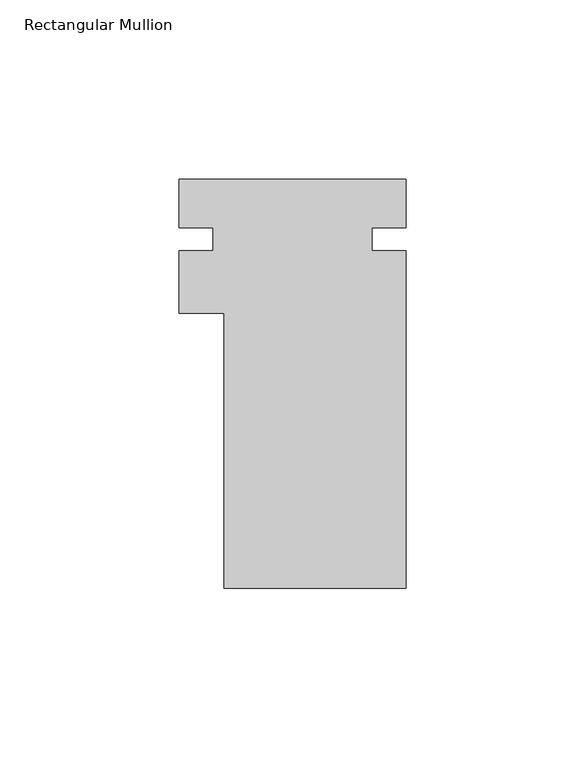
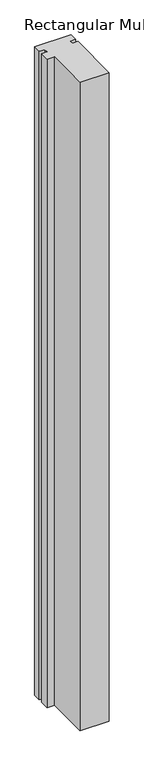
"""IFC4 building model written with IfcOpenShell, lengths in millimetres: member geometry, Rectangular Mullion."""

import ifcopenshell
import ifcopenshell.guid

model = None  # the IFC model being written
_history = None  # IfcOwnerHistory: only IFC2X3 demands one
_inside = {}  # id of a spatial element -> (the spatial element, [elements in it])
_under = {}  # id of a project, library or spatial element -> (it, [spatial elements below it])
_declared = {}  # id of a project -> (the project, [libraries it declares])
_typed = {}  # id of a type object -> (the type object, [elements of that type])
_made_of = {}  # id of a material, layer set ... -> (it, [elements and type objects made of it])


def new_model(schema):
    """Start an empty IFC model of exactly this schema.

    Asked for "IFC4X3", IfcOpenShell would pick the latest addendum, in which some entities
    have other attributes; the version numbers below select the first issue.
    IFC2X3 requires an IfcOwnerHistory on every rooted entity: one is made here for all.
    """
    global model, _history
    if schema == "IFC4X3":
        model = ifcopenshell.file(schema_version=(4, 3, 0, 0))
    else:
        model = ifcopenshell.file(schema=schema)
    _inside.clear()
    _under.clear()
    _declared.clear()
    _typed.clear()
    _made_of.clear()
    _history = None
    if model.schema == "IFC2X3":
        org = make("IfcOrganization", Name="unknown")
        user = make(
            "IfcPersonAndOrganization",
            ThePerson=make("IfcPerson", FamilyName="unknown"),
            TheOrganization=org,
        )
        app = make(
            "IfcApplication",
            ApplicationDeveloper=org,
            Version="unknown",
            ApplicationFullName="unknown",
            ApplicationIdentifier="unknown",
        )
        _history = make(
            "IfcOwnerHistory",
            OwningUser=user,
            OwningApplication=app,
            ChangeAction="ADDED",
            CreationDate=0,
        )
    return model


def make(cls, **values):
    """One entity of the class cls with the attributes given. An attribute that is None is left unset."""
    return model.create_entity(
        cls, **{name: value for name, value in values.items() if value is not None}
    )


def rooted(cls, **values):
    """An entity with a GlobalId (a new one), such as an element, a storey or a relation."""
    return make(cls, GlobalId=ifcopenshell.guid.new(), OwnerHistory=_history, **values)


def si_unit(unit_type, name, prefix=None):
    """IfcSIUnit, for example si_unit("LENGTHUNIT", "METRE", prefix="MILLI")."""
    return make("IfcSIUnit", UnitType=unit_type, Prefix=prefix, Name=name)


def assignment(units):
    """IfcUnitAssignment: the units of a project."""
    return None if units is None else make("IfcUnitAssignment", Units=units)


def point(xyz):
    """IfcCartesianPoint."""
    return None if xyz is None else make("IfcCartesianPoint", Coordinates=xyz)


def direction(xyz):
    """IfcDirection."""
    return None if xyz is None else make("IfcDirection", DirectionRatios=xyz)


def frame(location, z_axis=None, x_axis=None):
    """IfcAxis2Placement3D, a coordinate frame: its origin and axes. An axis left out is left unset."""
    return make(
        "IfcAxis2Placement3D",
        Location=point(location),
        Axis=direction(z_axis),
        RefDirection=direction(x_axis),
    )


def origin():
    """The frame at (0, 0, 0) with its axes left unset."""
    return frame((0.0, 0.0, 0.0))


def place(relative_to, where):
    """IfcLocalPlacement: puts the frame where relative to a parent placement (None: the world)."""
    return make(
        "IfcLocalPlacement", PlacementRelTo=relative_to, RelativePlacement=where
    )


def context(
    kind, dimensions, precision=None, world=None, true_north=None, identifier=None
):
    """IfcGeometricRepresentationContext, for example the 3D "Model" context."""
    return make(
        "IfcGeometricRepresentationContext",
        ContextIdentifier=identifier,
        ContextType=kind,
        CoordinateSpaceDimension=dimensions,
        Precision=precision,
        WorldCoordinateSystem=world,
        TrueNorth=true_north,
    )


def project(units=None, contexts=None):
    """IfcProject with its units and contexts."""
    return rooted(
        "IfcProject",
        Name="project",
        RepresentationContexts=contexts,
        UnitsInContext=assignment(units),
    )


def spatial(cls, under=None, at=None, **own):
    """A site, building, storey or space (cls), placed at a placement, below another one or the project."""
    s = rooted(cls, ObjectPlacement=at, **own)
    if under is not None:
        _under.setdefault(under.id(), (under, []))[1].append(s)
    return s


def polyline(points):
    """IfcPolyline through the points."""
    return make("IfcPolyline", Points=[point(p) for p in points])


def outline(outer, holes=None, kind="AREA"):
    """IfcArbitraryClosedProfileDef: a profile drawn as a closed curve; with holes, ...WithVoids."""
    if holes is None:
        return make("IfcArbitraryClosedProfileDef", ProfileType=kind, OuterCurve=outer)
    return make(
        "IfcArbitraryProfileDefWithVoids",
        ProfileType=kind,
        OuterCurve=outer,
        InnerCurves=holes,
    )


def extrude(swept, where, along, depth):
    """IfcExtrudedAreaSolid: the profile swept, set in the frame where, extruded along a direction by depth."""
    return make(
        "IfcExtrudedAreaSolid",
        SweptArea=swept,
        Position=where,
        ExtrudedDirection=direction(along),
        Depth=depth,
    )


def shape(context_of_items, identifier, shape_type, items):
    """IfcShapeRepresentation: the items that make up one representation, for example the "Body"."""
    return make(
        "IfcShapeRepresentation",
        ContextOfItems=context_of_items,
        RepresentationIdentifier=identifier,
        RepresentationType=shape_type,
        Items=items,
    )


def source(mapping_origin, context_of_items, identifier, shape_type, items):
    """IfcRepresentationMap: a shape defined once, which mapped items show again and again."""
    return make(
        "IfcRepresentationMap",
        MappingOrigin=mapping_origin,
        MappedRepresentation=shape(context_of_items, identifier, shape_type, items),
    )


def transform(
    local_origin,
    x_axis=None,
    y_axis=None,
    z_axis=None,
    scale=None,
    scale2=None,
    scale3=None,
    uniform=True,
):
    """IfcCartesianTransformationOperator3D, or its non-uniform kind. x_axis, y_axis, z_axis: its Axis1, 2, 3."""
    if uniform:
        return make(
            "IfcCartesianTransformationOperator3D",
            Axis1=direction(x_axis),
            Axis2=direction(y_axis),
            LocalOrigin=point(local_origin),
            Scale=scale,
            Axis3=direction(z_axis),
        )
    return make(
        "IfcCartesianTransformationOperator3DnonUniform",
        Axis1=direction(x_axis),
        Axis2=direction(y_axis),
        LocalOrigin=point(local_origin),
        Scale=scale,
        Axis3=direction(z_axis),
        Scale2=scale2,
        Scale3=scale3,
    )


def mapped(mapping_source, mapping_target):
    """IfcMappedItem: shows the shape of a source again, moved by a transform."""
    return make(
        "IfcMappedItem", MappingSource=mapping_source, MappingTarget=mapping_target
    )


def made_of(thing, what):
    """Note that an element or type object is made of a material, layer set ...; save() writes the relation."""
    if what is not None:
        _made_of.setdefault(what.id(), (what, []))[1].append(thing)
    return thing


def element(
    cls,
    number,
    at=None,
    inside=None,
    cuts=None,
    type_object=None,
    material=None,
    context=None,
    identifier="Body",
    shape_type=None,
    held_by="IfcProductDefinitionShape",
    body=None,
    shapes=None,
    **own,
):
    """One element of the class cls, such as IfcWall. Its Tag is "e" and its number.

    at: its placement. inside: the storey or other place that contains it. cuts: it is an
    opening in that element (IfcRelVoidsElement). A single representation is given by context,
    identifier, shape_type and body (its items); several are given by shapes. held_by: the class
    of the entity that holds the representations. save() writes the other relations.
    """
    e = rooted(cls, Tag="e%d" % number, ObjectPlacement=at, **own)
    if body is not None:
        shapes = [shape(context, identifier, shape_type, body)]
    if shapes is not None:
        e.Representation = make(held_by, Representations=shapes)
    if inside is not None:
        _inside.setdefault(inside.id(), (inside, []))[1].append(e)
    if cuts is not None:
        rooted(
            "IfcRelVoidsElement", RelatingBuildingElement=cuts, RelatedOpeningElement=e
        )
    if type_object is not None:
        _typed.setdefault(type_object.id(), (type_object, []))[1].append(e)
    return made_of(e, material)


def aggregate(whole, parts):
    """IfcRelAggregates: a whole, such as a stair, and the parts it consists of."""
    return rooted("IfcRelAggregates", RelatingObject=whole, RelatedObjects=parts)


def save(model, path):
    """Write the relations noted so far, then the file.

    IfcRelAggregates (storeys below a building ...), IfcRelContainedInSpatialStructure (elements
    in a storey), IfcRelDefinesByType, IfcRelAssociatesMaterial and IfcRelDeclares: one each for
    every whole, place, type object, material and project.
    """
    for whole, parts in _under.values():
        aggregate(whole, parts)
    for where, things in _inside.values():
        rooted(
            "IfcRelContainedInSpatialStructure",
            RelatedElements=things,
            RelatingStructure=where,
        )
    for kind, things in _typed.values():
        rooted("IfcRelDefinesByType", RelatedObjects=things, RelatingType=kind)
    for what, things in _made_of.values():
        rooted("IfcRelAssociatesMaterial", RelatedObjects=things, RelatingMaterial=what)
    for by, libraries in _declared.values():
        rooted("IfcRelDeclares", RelatingContext=by, RelatedDefinitions=libraries)
    model.write(path)


def rectangular_mullion_01736952(model_context):
    return source(origin(), model_context, "Body", "SweptSolid", [
        extrude(outline(polyline([(25.4, -39.8724438), (-25.4, -39.8724437), (-25.4, 36.9625562), (-38.0999959, 36.9625563), (-38.0999959, 54.4250563), (-28.5749959, 54.4250563), (-28.5749959, 60.7750563), (-38.0999959, 60.7750563), (-38.0999959, 74.4275562), (25.4, 74.4275562), (25.4, 60.7750562), (15.875, 60.7750562), (15.875, 54.4250562), (25.4, 54.4250562), (25.4, -39.8724438)])), frame((0.0, 0.0, -1193.8), z_axis=(0.0, 0.0, 1.0), x_axis=(1.0, 0.0, 0.0)), (0.0, 0.0, 1.0), 1193.8),
    ])


if __name__ == "__main__":
    model = new_model("IFC4")
    model_context = context("Model", 3, world=origin())
    ifc_project = project(units=[si_unit("LENGTHUNIT", "METRE", prefix="MILLI")], contexts=[model_context])
    site = spatial("IfcSite", under=ifc_project)
    building = spatial("IfcBuilding", under=site)
    placement = place(None, origin())
    rectangular_mullion_shape = rectangular_mullion_01736952(model_context)
    element("IfcMember", 1, ObjectType="Rectangular Mullion", at=placement, inside=building, context=model_context, shape_type="MappedRepresentation", body=[
        mapped(rectangular_mullion_shape, transform((0.0, 0.0, 0.0), x_axis=(1.0, 0.0, 0.0), y_axis=(0.0, 1.0, 0.0), z_axis=(0.0, 0.0, 1.0))),
    ])
    save(model, "model.ifc")
